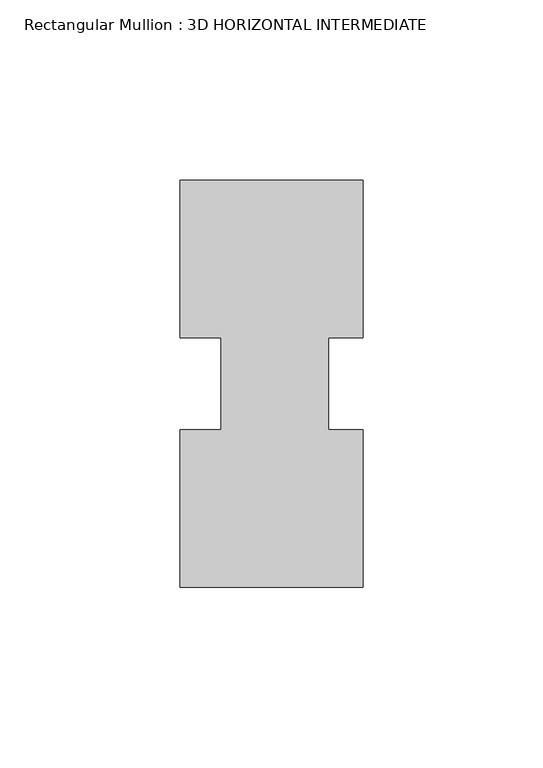
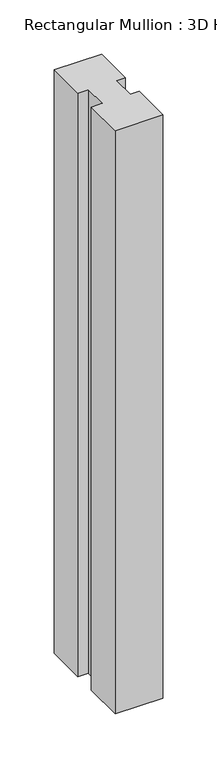
"""IFC4 building model written with IfcOpenShell, lengths in millimetres: member geometry, Rectangular Mullion : 3D HORIZONTAL INTERMEDIATE."""

from ifc_helpers import new_model, si_unit, frame, origin, place, context, project, spatial, polyline, outline, extrude, source, transform, mapped, element, save


def rectangular_mullion_3d_horizontal_intermediate_a7053a38(model_context):
    return source(origin(), model_context, "Body", "SweptSolid", [
        extrude(outline(polyline([(24.4527147, 12.7295207), (14.9404146, 12.7295207), (14.9404146, -12.7581776), (24.4527147, -12.7581776), (24.4527147, -56.5435115), (-26.3472853, -56.5435115), (-26.3472853, -12.7581776), (-14.9939298, -12.7581776), (-14.9939298, 12.7295207), (-26.3282353, 12.7295207), (-26.3282353, 56.5372885), (24.4527147, 56.5372885), (24.4527147, 12.7295207)])), frame((0.0, 0.0, -658.9215384), z_axis=(0.0, 0.0, 1.0), x_axis=(1.0, 0.0, 0.0)), (0.0, 0.0, 1.0), 658.9215384),
    ])


if __name__ == "__main__":
    model = new_model("IFC4")
    model_context = context("Model", 3, world=origin())
    ifc_project = project(units=[si_unit("LENGTHUNIT", "METRE", prefix="MILLI")], contexts=[model_context])
    site = spatial("IfcSite", under=ifc_project)
    building = spatial("IfcBuilding", under=site)
    placement = place(None, origin())
    rectangular_mullion_3d_horizontal_intermediate_shape = rectangular_mullion_3d_horizontal_intermediate_a7053a38(model_context)
    element("IfcMember", 1, ObjectType="Rectangular Mullion : 3D HORIZONTAL INTERMEDIATE", at=placement, inside=building, context=model_context, shape_type="MappedRepresentation", body=[
        mapped(rectangular_mullion_3d_horizontal_intermediate_shape, transform((0.0, 0.0, 0.0), x_axis=(1.0, 0.0, 0.0), y_axis=(0.0, 1.0, 0.0), z_axis=(0.0, 0.0, 1.0))),
    ])
    save(model, "model.ifc")
